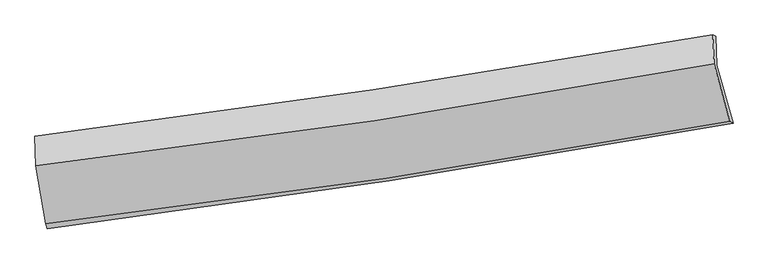
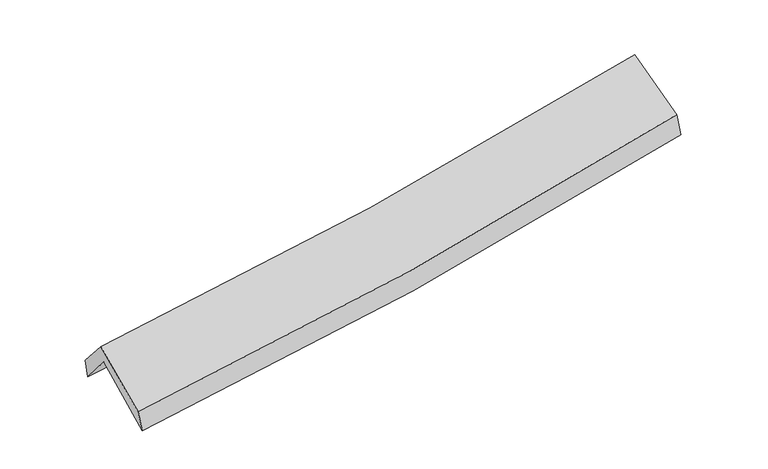
"""IFC4 building model written with IfcOpenShell, lengths in millimetres: proxy geometry."""

from ifc_helpers import new_model, si_unit, frame, origin, place, context, project, spatial, source, transform, mapped, element, save
from ifc_brep_helpers import plane_surface, spline_curve, spline_surface, advanced_brep


def generic_models_5ff86ac4(model_context):
    return source(origin(), model_context, "Body", "AdvancedBrep", [
        advanced_brep(
        [(-2833.7528244, -2513.0267121, 1461.8092723), (-2918.6432668, -2004.3857017, 1898.4210634), (2856.8626269, -1122.8987011, 2388.9022973), (2997.2319987, -1618.0723264, 1965.2170591), (-2927.1878502, -1747.7933318, 1588.9120485), (2851.388473, -875.6974574, 2067.9930521), (-2940.1002927, -1726.9822622, 1752.6499712), (2825.6387646, -865.1605499, 2264.6118527), (-2930.9231785, -1978.0722141, 2042.9148993), (2835.25692, -1109.8383301, 2547.6311734), (-2849.5148561, -2472.636754, 1635.892732), (2968.8973907, -1598.3352902, 2169.5173187)],
        [
            (0, 1),
            (1, 2, spline_curve(3, [(-2918.6432668, -2004.3857017, 1898.4210634), (-1953.647307223, -1895.02647742, 1952.705917765), (-992.607177441, -1767.418582076, 2020.408538272), (932.653678496, -1474.01502366, 2183.589466624), (1896.782179676, -1307.793919027, 2279.380590915), (2856.8626269, -1122.8987011, 2388.9022973)], [4, 2, 4], [0.0, 9.612455999508024, 19.336316834935097])),
            (2, 3),
            (3, 0, spline_curve(3, [(2997.2319987, -1618.0723264, 1965.2170591), (2026.547693552, -1792.937574408, 1841.822723029), (1052.47113922, -1955.307838718, 1738.045586064), (-891.267752456, -2253.341300951, 1570.689917903), (-1860.852805636, -2389.289165242, 1506.664459527), (-2833.7528244, -2513.0267121, 1461.8092723)], [4, 2, 4], [0.0, 9.723860835427073, 19.336316834935097])),
            (1, 4),
            (4, 5, spline_curve(3, [(-2927.1878502, -1747.7933318, 1588.9120485), (-1962.432696521, -1628.570833771, 1629.132990613), (-1001.260734183, -1496.776490066, 1688.824036776), (925.014910875, -1206.370959799, 1848.063786696), (1890.035055955, -1047.466678733, 1948.066408169), (2851.388473, -875.6974574, 2067.9930521)], [4, 2, 4], [0.0, 9.565982553425894, 19.242831332593])),
            (5, 2),
            (4, 6),
            (6, 7, spline_curve(3, [(-2940.1002927, -1726.9822622, 1752.6499712), (-1977.823219709, -1606.905888552, 1802.075637506), (-1018.954916854, -1475.528490472, 1869.104153045), (903.037572644, -1188.518053586, 2039.347727794), (1866.082289073, -1032.621547973, 2142.973172956), (2825.6387646, -865.1605499, 2264.6118527)], [4, 2, 4], [0.0, 9.55707247649708, 19.22490791421501])),
            (7, 5),
            (6, 8),
            (8, 9, spline_curve(3, [(-2930.9231785, -1978.0722141, 2042.9148993), (-1968.299780734, -1865.309273113, 2101.241141833), (-1009.22098696, -1737.081450693, 2172.148722151), (912.921683609, -1448.030697827, 2340.094163956), (1875.902922515, -1286.847225476, 2437.425341943), (2835.25692, -1109.8383301, 2547.6311734)], [4, 2, 4], [0.0, 9.547958947712555, 19.206575234193288])),
            (9, 7),
            (8, 10),
            (10, 11, spline_curve(3, [(-2849.5148561, -2472.636754, 1635.892732), (-1878.035754076, -2358.548941009, 1690.924203601), (-910.200929227, -2229.155044164, 1762.556254275), (1029.354781084, -1938.07806238, 1940.04409751), (2000.990704848, -1776.038138211, 2046.286909138), (2968.8973907, -1598.3352902, 2169.5173187)], [4, 2, 4], [0.0, 9.593577764123577, 19.29834157234905])),
            (11, 9),
            (10, 0),
            (3, 11),
        ],
        [
            spline_surface(3, 3, [[(-2833.7528244, -2513.0267121, 1461.8092723), (-1860.852805695, -2389.289165201, 1506.664459447), (-891.267752323, -2253.341300979, 1570.68991806), (1052.471139086, -1955.30783869, 1738.045585906), (2026.547693453, -1792.937574343, 1841.822722886), (2997.2319987, -1618.0723264, 1965.2170591)], [(-2862.04963856, -2343.47970863, 1607.346535992), (-1891.784306225, -2224.53493598, 1655.344945564), (-925.047560679, -2091.367061315, 1720.596124806), (1012.531985531, -1794.876900374, 1886.560212832), (1983.292522242, -1631.223022591, 1987.675345521), (2950.442208096, -1453.014451291, 2106.445471806)], [(-2890.34645264, -2173.93270517, 1752.883799708), (-1922.715806676, -2059.780706771, 1804.025431705), (-958.827369022, -1929.392821655, 1870.502331509), (972.592831988, -1634.445962062, 2035.074839715), (1940.037351042, -1469.508470865, 2133.527968236), (2903.652417504, -1287.956576209, 2247.673884594)], [(-2918.6432668, -2004.3857017, 1898.4210634), (-1953.647307206, -1895.026477551, 1952.705917821), (-992.607177379, -1767.418581991, 2020.408538256), (932.653678433, -1474.015023746, 2183.589466641), (1896.782179831, -1307.793919114, 2279.380590871), (2856.8626269, -1122.8987011, 2388.9022973)]], [4, 4], [4, 2, 4], [0.0, 2.1921660572974817], [0.0, 9.612455999508024, 19.336316834935097]),
            spline_surface(3, 3, [[(-2918.6432668, -2004.3857017, 1898.4210634), (-1953.647307206, -1895.02647755, 1952.705917821), (-992.607177379, -1767.418581991, 2020.408538256), (932.653678433, -1474.015023746, 2183.589466641), (1896.782179831, -1307.793919114, 2279.380590871), (2856.8626269, -1122.8987011, 2388.9022973)], [(-2921.491461264, -1918.854911727, 1795.251391752), (-1956.575770291, -1806.207929589, 1844.848275371), (-995.491696245, -1677.204551311, 1909.880371102), (930.107422554, -1384.800335814, 2071.747573338), (1894.53313857, -1221.018172368, 2168.942530024), (2855.03790894, -1040.498286533, 2281.932548911)], [(-2924.339655736, -1833.324121773, 1692.081720148), (-1959.504233382, -1717.389381646, 1736.990632964), (-998.376215176, -1586.990520614, 1799.352203921), (927.561166611, -1295.585647865, 1959.905680008), (1892.284097288, -1134.242425624, 2058.504469146), (2853.21319096, -958.097871967, 2174.962800489)], [(-2927.1878502, -1747.7933318, 1588.9120485), (-1962.432696467, -1628.570833685, 1629.132990513), (-1001.260734043, -1496.776489934, 1688.824036767), (925.014910733, -1206.370959933, 1848.063786706), (1890.035056027, -1047.466678879, 1948.066408299), (2851.388473, -875.6974574, 2067.9930521)]], [4, 4], [4, 2, 4], [0.0, 1.4064375371570175], [0.0, 9.565982553425894, 19.242831332593]),
            spline_surface(3, 3, [[(-2927.1878502, -1747.7933318, 1588.9120485), (-1962.432696467, -1628.570833685, 1629.132990513), (-1001.260734043, -1496.776489934, 1688.824036767), (925.014910733, -1206.370959933, 1848.063786706), (1890.035056027, -1047.466678879, 1948.066408299), (2851.388473, -875.6974574, 2067.9930521)], [(-2931.491997706, -1740.856308579, 1643.491356087), (-1967.56287086, -1621.349185325, 1686.780539552), (-1007.158795038, -1489.6938234, 1748.917408804), (917.689131404, -1200.419991177, 1911.825100418), (1882.050800426, -1042.518301872, 2013.035329884), (2842.80523687, -872.185154905, 2133.532652297)], [(-2935.796145194, -1733.919285421, 1698.070663613), (-1972.693045235, -1614.127537027, 1744.428088531), (-1013.056855997, -1482.611156898, 1809.0107809), (910.363352112, -1194.469022452, 1975.586414191), (1874.066544816, -1037.569924851, 2078.004251478), (2834.22200073, -868.672852395, 2199.072252503)], [(-2940.1002927, -1726.9822622, 1752.6499712), (-1977.823219628, -1606.905888667, 1802.07563757), (-1018.954916992, -1475.528490364, 1869.104152937), (903.037572784, -1188.518053696, 2039.347727903), (1866.082289214, -1032.621547844, 2142.973173063), (2825.6387646, -865.1605499, 2264.6118527)]], [4, 4], [4, 2, 4], [0.0, 0.6165390403007935], [0.0, 9.55707247649708, 19.22490791421501]),
            spline_surface(3, 3, [[(-2940.1002927, -1726.9822622, 1752.6499712), (-1977.823219628, -1606.905888667, 1802.07563757), (-1018.954916992, -1475.528490364, 1869.104152937), (903.037572784, -1188.518053696, 2039.347727903), (1866.082289214, -1032.621547844, 2142.973173063), (2825.6387646, -865.1605499, 2264.6118527)], [(-2937.041254605, -1810.678912861, 1849.404947215), (-1974.648739951, -1693.040350133, 1901.797472308), (-1015.710273588, -1562.712810478, 1970.11900933), (906.332276348, -1275.022268418, 2139.59653996), (1869.355833622, -1117.363440384, 2241.123895985), (2828.844816407, -946.719809961, 2358.951626277)], [(-2933.982216595, -1894.375563439, 1946.159923285), (-1971.474260359, -1779.174811516, 2001.5193071), (-1012.465630208, -1649.897130568, 2071.133865682), (909.626979887, -1361.526483116, 2239.845351976), (1872.629378009, -1202.105332942, 2339.274618876), (2832.050868193, -1028.279070039, 2453.291399823)], [(-2930.9231785, -1978.0722141, 2042.9148993), (-1968.299780682, -1865.309272981, 2101.241141838), (-1009.220986804, -1737.081450683, 2172.148722075), (912.921683451, -1448.030697838, 2340.094164033), (1875.902922417, -1286.847225481, 2437.425341798), (2835.25692, -1109.8383301, 2547.6311734)]], [4, 4], [4, 2, 4], [0.0, 1.3086390916323194], [0.0, 9.547958947712555, 19.206575234193288]),
            spline_surface(3, 3, [[(-2930.9231785, -1978.0722141, 2042.9148993), (-1968.299780682, -1865.309272981, 2101.241141838), (-1009.220986804, -1737.081450683, 2172.148722075), (912.921683451, -1448.030697838, 2340.094164033), (1875.902922417, -1286.847225481, 2437.425341798), (2835.25692, -1109.8383301, 2547.6311734)], [(-2903.787071036, -2142.92706071, 1907.240843549), (-1938.211771827, -2029.722495654, 1964.468829117), (-976.214300935, -1901.105981826, 2035.617899484), (951.732715935, -1611.379819414, 2206.744141862), (1917.598849921, -1449.910863063, 2307.045864225), (2879.803743569, -1272.670650139, 2421.593221833)], [(-2876.650963564, -2307.78190739, 1771.566787751), (-1908.123762964, -2194.135718397, 1827.69651635), (-943.20761499, -2065.130512903, 1899.087076875), (990.543748493, -1774.728940923, 2073.394119672), (1959.294777418, -1612.974500627, 2176.666386653), (2924.350567131, -1435.502970161, 2295.555270267)], [(-2849.5148561, -2472.636754, 1635.892732), (-1878.035754109, -2358.54894107, 1690.924203628), (-910.200929121, -2229.155044047, 1762.556254284), (1029.354780977, -1938.078062499, 1940.044097501), (2000.990704922, -1776.038138208, 2046.28690908), (2968.8973907, -1598.3352902, 2169.5173187)]], [4, 4], [4, 2, 4], [0.0, 2.117580754446351], [0.0, 9.593577764123577, 19.29834157234905]),
            spline_surface(3, 3, [[(-2849.5148561, -2472.636754, 1635.892732), (-1878.035754109, -2358.54894107, 1690.924203628), (-910.200929121, -2229.155044047, 1762.556254284), (1029.354780977, -1938.078062499, 1940.044097501), (2000.990704922, -1776.038138208, 2046.28690908), (2968.8973907, -1598.3352902, 2169.5173187)], [(-2844.260845529, -2486.100073393, 1577.864912106), (-1872.308104634, -2368.795682474, 1629.504288907), (-903.889870176, -2237.217129667, 1698.600808853), (1037.060233693, -1943.821321205, 1872.711260279), (2009.509701084, -1781.67128359, 1978.132180358), (2978.342260018, -1604.91430227, 2101.417232176)], [(-2839.006834971, -2499.563392707, 1519.837092194), (-1866.58045517, -2379.042423797, 1568.084374168), (-897.578811268, -2245.27921536, 1634.645363491), (1044.765686371, -1949.564579984, 1805.378423127), (2018.028697291, -1787.304428961, 1909.977451608), (2987.787129382, -1611.49331433, 2033.317145624)], [(-2833.7528244, -2513.0267121, 1461.8092723), (-1860.852805695, -2389.289165201, 1506.664459447), (-891.267752323, -2253.341300979, 1570.68991806), (1052.471139086, -1955.30783869, 1738.045585906), (2026.547693453, -1792.937574343, 1841.822722886), (2997.2319987, -1618.0723264, 1965.2170591)]], [4, 4], [4, 2, 4], [0.0, 0.6535010270301124], [0.0, 9.649115734685218, 19.41006117816094]),
            plane_surface(frame((2889.2126957, -1198.3337759, 2233.9787922), z_axis=(0.9772977116337979, 0.1755788944255175, 0.11858007702668827), x_axis=(0.21144713930563044, -0.7729042275172086, -0.598255098068953))),
            plane_surface(frame((-2900.0203781, -2073.8161627, 1730.0999978), z_axis=(-0.9918085560632206, -0.1104401876677764, -0.06417751216505434), x_axis=(-0.08785905159816787, 0.22513743688999166, 0.9703576256014457))),
        ],
        [
            (0, [[1, 2, 3, 4]]),
            (1, [[5, 6, 7, -2]]),
            (2, [[8, 9, 10, -6]]),
            (3, [[11, 12, 13, -9]]),
            (4, [[14, 15, 16, -12]]),
            (5, [[17, -4, 18, -15]]),
            (6, [[-16, -18, -3, -7, -10, -13]]),
            (7, [[-17, -14, -11, -8, -5, -1]]),
        ],
    ),
    ])


if __name__ == "__main__":
    model = new_model("IFC4")
    model_context = context("Model", 3, world=origin())
    ifc_project = project(units=[si_unit("LENGTHUNIT", "METRE", prefix="MILLI")], contexts=[model_context])
    site = spatial("IfcSite", under=ifc_project)
    building = spatial("IfcBuilding", under=site)
    placement = place(None, origin())
    generic_models_shape = generic_models_5ff86ac4(model_context)
    element("IfcBuildingElementProxy", 1, Name="Generic Models", at=placement, inside=building, context=model_context, shape_type="MappedRepresentation", body=[
        mapped(generic_models_shape, transform((0.0, 0.0, 0.0), x_axis=(1.0, 0.0, 0.0), y_axis=(0.0, 1.0, 0.0), z_axis=(0.0, 0.0, 1.0))),
    ])
    save(model, "model.ifc")
